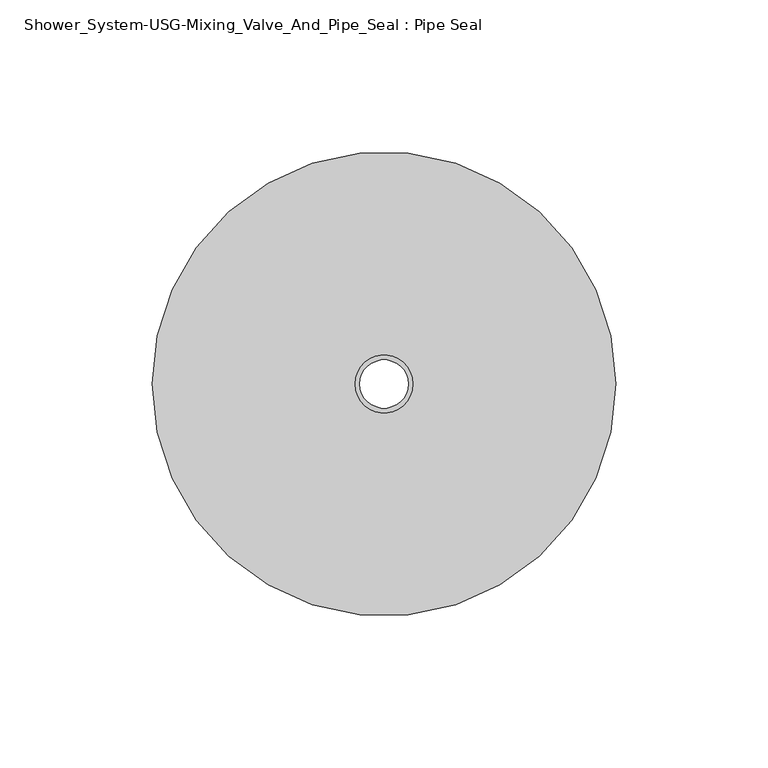
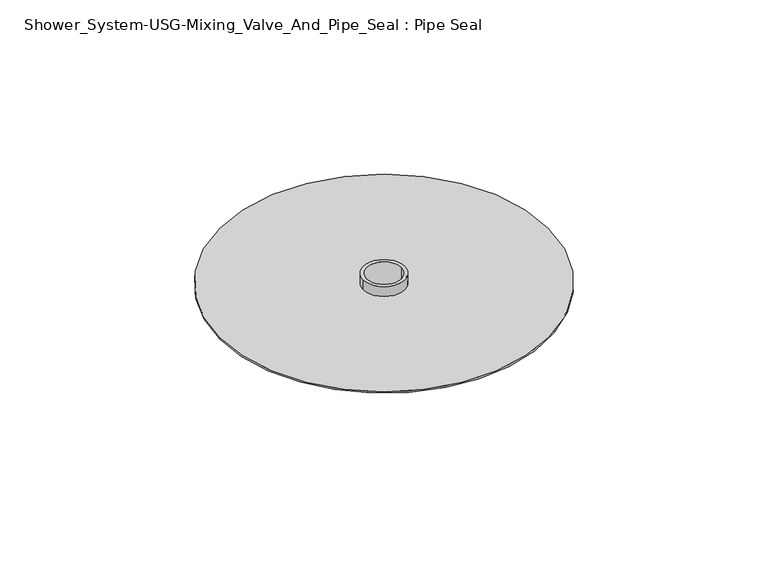
"""IFC4 building model written with IfcOpenShell, lengths in millimetres: proxy geometry, Shower_System-USG-Mixing_Valve_And_Pipe_Seal : Pipe Seal."""

import ifcopenshell
import ifcopenshell.guid

model = None  # the IFC model being written
_history = None  # IfcOwnerHistory: only IFC2X3 demands one
_inside = {}  # id of a spatial element -> (the spatial element, [elements in it])
_under = {}  # id of a project, library or spatial element -> (it, [spatial elements below it])
_declared = {}  # id of a project -> (the project, [libraries it declares])
_typed = {}  # id of a type object -> (the type object, [elements of that type])
_made_of = {}  # id of a material, layer set ... -> (it, [elements and type objects made of it])


def new_model(schema):
    """Start an empty IFC model of exactly this schema.

    Asked for "IFC4X3", IfcOpenShell would pick the latest addendum, in which some entities
    have other attributes; the version numbers below select the first issue.
    IFC2X3 requires an IfcOwnerHistory on every rooted entity: one is made here for all.
    """
    global model, _history
    if schema == "IFC4X3":
        model = ifcopenshell.file(schema_version=(4, 3, 0, 0))
    else:
        model = ifcopenshell.file(schema=schema)
    _inside.clear()
    _under.clear()
    _declared.clear()
    _typed.clear()
    _made_of.clear()
    _history = None
    if model.schema == "IFC2X3":
        org = make("IfcOrganization", Name="unknown")
        user = make(
            "IfcPersonAndOrganization",
            ThePerson=make("IfcPerson", FamilyName="unknown"),
            TheOrganization=org,
        )
        app = make(
            "IfcApplication",
            ApplicationDeveloper=org,
            Version="unknown",
            ApplicationFullName="unknown",
            ApplicationIdentifier="unknown",
        )
        _history = make(
            "IfcOwnerHistory",
            OwningUser=user,
            OwningApplication=app,
            ChangeAction="ADDED",
            CreationDate=0,
        )
    return model


def make(cls, **values):
    """One entity of the class cls with the attributes given. An attribute that is None is left unset."""
    return model.create_entity(
        cls, **{name: value for name, value in values.items() if value is not None}
    )


def rooted(cls, **values):
    """An entity with a GlobalId (a new one), such as an element, a storey or a relation."""
    return make(cls, GlobalId=ifcopenshell.guid.new(), OwnerHistory=_history, **values)


def si_unit(unit_type, name, prefix=None):
    """IfcSIUnit, for example si_unit("LENGTHUNIT", "METRE", prefix="MILLI")."""
    return make("IfcSIUnit", UnitType=unit_type, Prefix=prefix, Name=name)


def assignment(units):
    """IfcUnitAssignment: the units of a project."""
    return None if units is None else make("IfcUnitAssignment", Units=units)


def point(xyz):
    """IfcCartesianPoint."""
    return None if xyz is None else make("IfcCartesianPoint", Coordinates=xyz)


def direction(xyz):
    """IfcDirection."""
    return None if xyz is None else make("IfcDirection", DirectionRatios=xyz)


def frame(location, z_axis=None, x_axis=None):
    """IfcAxis2Placement3D, a coordinate frame: its origin and axes. An axis left out is left unset."""
    return make(
        "IfcAxis2Placement3D",
        Location=point(location),
        Axis=direction(z_axis),
        RefDirection=direction(x_axis),
    )


def frame_2d(location, x_axis=None):
    """IfcAxis2Placement2D, a coordinate frame in the plane: its origin and x axis."""
    return make(
        "IfcAxis2Placement2D", Location=point(location), RefDirection=direction(x_axis)
    )


def origin():
    """The frame at (0, 0, 0) with its axes left unset."""
    return frame((0.0, 0.0, 0.0))


def origin_with_axes():
    """The frame at (0, 0, 0) with the z axis (0, 0, 1) and the x axis (1, 0, 0) written out."""
    return frame((0.0, 0.0, 0.0), z_axis=(0.0, 0.0, 1.0), x_axis=(1.0, 0.0, 0.0))


def origin_2d():
    """The frame at (0, 0) in the plane with its x axis left unset."""
    return frame_2d((0.0, 0.0))


def place(relative_to, where):
    """IfcLocalPlacement: puts the frame where relative to a parent placement (None: the world)."""
    return make(
        "IfcLocalPlacement", PlacementRelTo=relative_to, RelativePlacement=where
    )


def context(
    kind, dimensions, precision=None, world=None, true_north=None, identifier=None
):
    """IfcGeometricRepresentationContext, for example the 3D "Model" context."""
    return make(
        "IfcGeometricRepresentationContext",
        ContextIdentifier=identifier,
        ContextType=kind,
        CoordinateSpaceDimension=dimensions,
        Precision=precision,
        WorldCoordinateSystem=world,
        TrueNorth=true_north,
    )


def project(units=None, contexts=None):
    """IfcProject with its units and contexts."""
    return rooted(
        "IfcProject",
        Name="project",
        RepresentationContexts=contexts,
        UnitsInContext=assignment(units),
    )


def spatial(cls, under=None, at=None, **own):
    """A site, building, storey or space (cls), placed at a placement, below another one or the project."""
    s = rooted(cls, ObjectPlacement=at, **own)
    if under is not None:
        _under.setdefault(under.id(), (under, []))[1].append(s)
    return s


def circle_curve(where, radius):
    """IfcCircle in the frame where."""
    return make("IfcCircle", Position=where, Radius=radius)


def trimmed(basis, trim1, trim2, sense, master):
    """IfcTrimmedCurve: the piece of a basis curve between two trims."""
    return make(
        "IfcTrimmedCurve",
        BasisCurve=basis,
        Trim1=trim1,
        Trim2=trim2,
        SenseAgreement=sense,
        MasterRepresentation=master,
    )


def segment(curve, same_sense, transition):
    """IfcCompositeCurveSegment."""
    return make(
        "IfcCompositeCurveSegment",
        Transition=transition,
        SameSense=same_sense,
        ParentCurve=curve,
    )


def composite_curve(segments, self_intersect=None):
    """IfcCompositeCurve: segments joined end to end."""
    return make("IfcCompositeCurve", Segments=segments, SelfIntersect=self_intersect)


def outline(outer, holes=None, kind="AREA"):
    """IfcArbitraryClosedProfileDef: a profile drawn as a closed curve; with holes, ...WithVoids."""
    if holes is None:
        return make("IfcArbitraryClosedProfileDef", ProfileType=kind, OuterCurve=outer)
    return make(
        "IfcArbitraryProfileDefWithVoids",
        ProfileType=kind,
        OuterCurve=outer,
        InnerCurves=holes,
    )


def extrude(swept, where, along, depth):
    """IfcExtrudedAreaSolid: the profile swept, set in the frame where, extruded along a direction by depth."""
    return make(
        "IfcExtrudedAreaSolid",
        SweptArea=swept,
        Position=where,
        ExtrudedDirection=direction(along),
        Depth=depth,
    )


def shape(context_of_items, identifier, shape_type, items):
    """IfcShapeRepresentation: the items that make up one representation, for example the "Body"."""
    return make(
        "IfcShapeRepresentation",
        ContextOfItems=context_of_items,
        RepresentationIdentifier=identifier,
        RepresentationType=shape_type,
        Items=items,
    )


def source(mapping_origin, context_of_items, identifier, shape_type, items):
    """IfcRepresentationMap: a shape defined once, which mapped items show again and again."""
    return make(
        "IfcRepresentationMap",
        MappingOrigin=mapping_origin,
        MappedRepresentation=shape(context_of_items, identifier, shape_type, items),
    )


def transform(
    local_origin,
    x_axis=None,
    y_axis=None,
    z_axis=None,
    scale=None,
    scale2=None,
    scale3=None,
    uniform=True,
):
    """IfcCartesianTransformationOperator3D, or its non-uniform kind. x_axis, y_axis, z_axis: its Axis1, 2, 3."""
    if uniform:
        return make(
            "IfcCartesianTransformationOperator3D",
            Axis1=direction(x_axis),
            Axis2=direction(y_axis),
            LocalOrigin=point(local_origin),
            Scale=scale,
            Axis3=direction(z_axis),
        )
    return make(
        "IfcCartesianTransformationOperator3DnonUniform",
        Axis1=direction(x_axis),
        Axis2=direction(y_axis),
        LocalOrigin=point(local_origin),
        Scale=scale,
        Axis3=direction(z_axis),
        Scale2=scale2,
        Scale3=scale3,
    )


def mapped(mapping_source, mapping_target):
    """IfcMappedItem: shows the shape of a source again, moved by a transform."""
    return make(
        "IfcMappedItem", MappingSource=mapping_source, MappingTarget=mapping_target
    )


def made_of(thing, what):
    """Note that an element or type object is made of a material, layer set ...; save() writes the relation."""
    if what is not None:
        _made_of.setdefault(what.id(), (what, []))[1].append(thing)
    return thing


def element(
    cls,
    number,
    at=None,
    inside=None,
    cuts=None,
    type_object=None,
    material=None,
    context=None,
    identifier="Body",
    shape_type=None,
    held_by="IfcProductDefinitionShape",
    body=None,
    shapes=None,
    **own,
):
    """One element of the class cls, such as IfcWall. Its Tag is "e" and its number.

    at: its placement. inside: the storey or other place that contains it. cuts: it is an
    opening in that element (IfcRelVoidsElement). A single representation is given by context,
    identifier, shape_type and body (its items); several are given by shapes. held_by: the class
    of the entity that holds the representations. save() writes the other relations.
    """
    e = rooted(cls, Tag="e%d" % number, ObjectPlacement=at, **own)
    if body is not None:
        shapes = [shape(context, identifier, shape_type, body)]
    if shapes is not None:
        e.Representation = make(held_by, Representations=shapes)
    if inside is not None:
        _inside.setdefault(inside.id(), (inside, []))[1].append(e)
    if cuts is not None:
        rooted(
            "IfcRelVoidsElement", RelatingBuildingElement=cuts, RelatedOpeningElement=e
        )
    if type_object is not None:
        _typed.setdefault(type_object.id(), (type_object, []))[1].append(e)
    return made_of(e, material)


def aggregate(whole, parts):
    """IfcRelAggregates: a whole, such as a stair, and the parts it consists of."""
    return rooted("IfcRelAggregates", RelatingObject=whole, RelatedObjects=parts)


def save(model, path):
    """Write the relations noted so far, then the file.

    IfcRelAggregates (storeys below a building ...), IfcRelContainedInSpatialStructure (elements
    in a storey), IfcRelDefinesByType, IfcRelAssociatesMaterial and IfcRelDeclares: one each for
    every whole, place, type object, material and project.
    """
    for whole, parts in _under.values():
        aggregate(whole, parts)
    for where, things in _inside.values():
        rooted(
            "IfcRelContainedInSpatialStructure",
            RelatedElements=things,
            RelatingStructure=where,
        )
    for kind, things in _typed.values():
        rooted("IfcRelDefinesByType", RelatedObjects=things, RelatingType=kind)
    for what, things in _made_of.values():
        rooted("IfcRelAssociatesMaterial", RelatedObjects=things, RelatingMaterial=what)
    for by, libraries in _declared.values():
        rooted("IfcRelDeclares", RelatingContext=by, RelatedDefinitions=libraries)
    model.write(path)


def shower_system_usg_mixing_valve_and_pipe_seal_pipe_seal_3679ec3f(model_context):
    return source(origin(), model_context, "Body", "SweptSolid", [
        extrude(outline(composite_curve([segment(trimmed(circle_curve(origin_2d(), 76.2), [point((-76.2, 0.0))], [point((76.2, 0.0))], False, "CARTESIAN"), True, "CONTINUOUS"), segment(trimmed(circle_curve(origin_2d(), 76.2), [point((76.2, 0.0))], [point((-76.2, 0.0))], False, "CARTESIAN"), True, "CONTINUOUS")], self_intersect=False), holes=[composite_curve([segment(trimmed(circle_curve(origin_2d(), 9.525), [point((-9.525, 0.0))], [point((9.525, 0.0))], True, "CARTESIAN"), True, "CONTINUOUS"), segment(trimmed(circle_curve(origin_2d(), 9.525), [point((9.525, 0.0))], [point((-9.525, 0.0))], True, "CARTESIAN"), True, "CONTINUOUS")], self_intersect=False)]), origin_with_axes(), (0.0, 0.0, 1.0), 0.79375),
        extrude(outline(composite_curve([segment(trimmed(circle_curve(origin_2d(), 9.525), [point((-9.525, 0.0))], [point((9.525, 0.0))], False, "CARTESIAN"), True, "CONTINUOUS"), segment(trimmed(circle_curve(origin_2d(), 9.525), [point((9.525, 0.0))], [point((-9.525, 0.0))], False, "CARTESIAN"), True, "CONTINUOUS")], self_intersect=False), holes=[composite_curve([segment(trimmed(circle_curve(origin_2d(), 7.9375), [point((-7.9375, 0.0))], [point((7.9375, 0.0))], True, "CARTESIAN"), True, "CONTINUOUS"), segment(trimmed(circle_curve(origin_2d(), 7.9375), [point((7.9375, 0.0))], [point((-7.9375, 0.0))], True, "CARTESIAN"), True, "CONTINUOUS")], self_intersect=False)]), frame((0.0, 0.0, -11.90625), z_axis=(0.0, 0.0, 1.0), x_axis=(1.0, 0.0, 0.0)), (0.0, 0.0, 1.0), 17.4625),
    ])


if __name__ == "__main__":
    model = new_model("IFC4")
    model_context = context("Model", 3, world=origin())
    ifc_project = project(units=[si_unit("LENGTHUNIT", "METRE", prefix="MILLI")], contexts=[model_context])
    site = spatial("IfcSite", under=ifc_project)
    building = spatial("IfcBuilding", under=site)
    placement = place(None, origin())
    shower_system_usg_mixing_valve_and_pipe_seal_pipe_seal_shape = shower_system_usg_mixing_valve_and_pipe_seal_pipe_seal_3679ec3f(model_context)
    element("IfcBuildingElementProxy", 1, Name="Shower_System-USG-Mixing_Valve_And_Pipe_Seal : Pipe Seal", ObjectType="Shower_System-USG-Mixing_Valve_And_Pipe_Seal : Pipe Seal", at=placement, inside=building, context=model_context, shape_type="MappedRepresentation", body=[
        mapped(shower_system_usg_mixing_valve_and_pipe_seal_pipe_seal_shape, transform((0.0, 0.0, 0.0), x_axis=(1.0, 0.0, 0.0), y_axis=(0.0, 1.0, 0.0), z_axis=(0.0, 0.0, 1.0))),
    ])
    save(model, "model.ifc")
